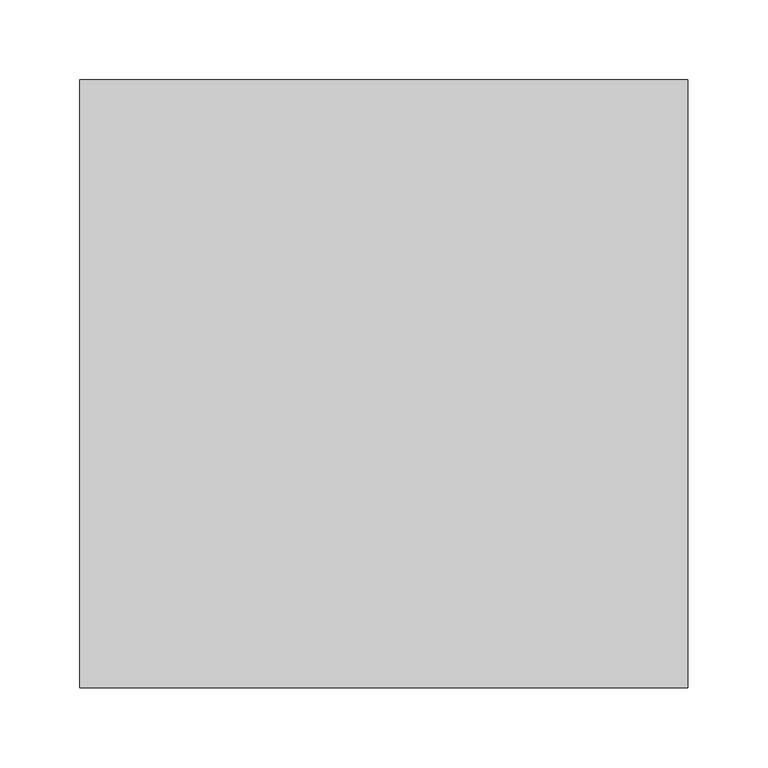
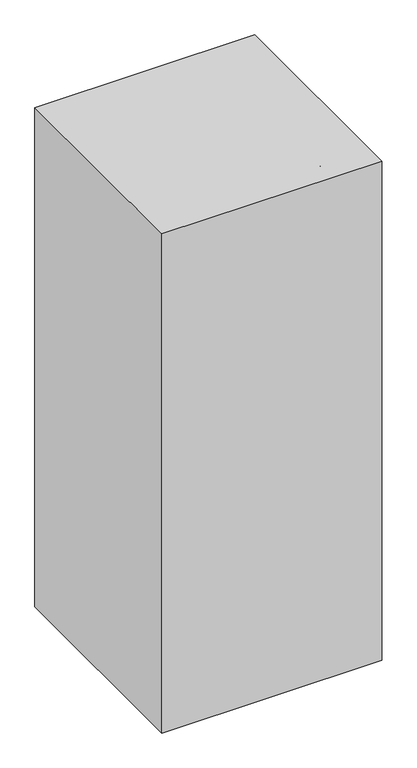
"""IFC4 building model written with IfcOpenShell, lengths in millimetres: proxy geometry."""

from ifc_helpers import new_model, si_unit, point, frame, frame_2d, origin, origin_with_axes, place, context, project, spatial, polyline, circle_curve, ellipse_curve, trimmed, segment, composite_curve, outline, extrude, source, transform, mapped, element, save
from ifc_brep_helpers import plane_surface, cylinder_surface, revolved_surface, advanced_brep


def specialty_equipment_1a8e0fdb(model_context):
    return source(origin(), model_context, "Body", "SolidModel", [
        extrude(outline(polyline([(0.0, -76.2), (0.0, 0.0), (12.7, 0.0), (12.7, -76.2), (0.0, -76.2)])), frame((-177.5900934, 239.9893842, 820.2504278), z_axis=(0.0, -0.4694715627858957, 0.8829475928589243), x_axis=(0.0, 0.8829475928589243, 0.4694715627858957)), (0.0, 0.0, 1.0), 76.2),
        advanced_brep(
        [(44.45, 215.9, 736.6), (44.45, 215.9, 723.9), (-16.0889464, 215.9, 736.6), (-22.0110536, 215.9, 723.9), (-78.0072211, 215.9, 810.3913264), (-90.7072211, 215.9, 805.7689044), (-78.0072211, 215.9, 858.8801154), (-90.7072211, 215.9, 846.1801154), (-160.5572211, 215.9, 858.8801154), (-160.5572211, 215.9, 846.1801154)],
        [
            (0, 1, circle_curve(frame((44.45, 215.9, 730.25), z_axis=(1.0, 0.0, 0.0), x_axis=(0.0, 0.0, -1.0)), 6.35)),
            (1, 0, circle_curve(frame((44.45, 215.9, 730.25), z_axis=(1.0, 0.0, 0.0), x_axis=(0.0, 0.0, -1.0)), 6.35)),
            (0, 2),
            (2, 3, ellipse_curve(frame((-19.05, 215.9, 730.25), z_axis=(0.9063077870366524, 0.0, -0.4226182617406946), x_axis=(0.42261826174069395, 0.0, 0.9063077870366525)), 7.0064498, 6.35)),
            (3, 1),
            (3, 2, ellipse_curve(frame((-19.05, 215.9, 730.25), z_axis=(0.9063077870366524, 0.0, -0.4226182617406946), x_axis=(0.42261826174069395, 0.0, 0.9063077870366525)), 7.0064498, 6.35)),
            (2, 4),
            (4, 5, ellipse_curve(frame((-84.3572211, 215.9, 808.0801154), z_axis=(0.3420201433256669, 0.0, -0.9396926207859092), x_axis=(0.9396926207859089, 0.0, 0.3420201433256674)), 6.7575289, 6.35)),
            (5, 3),
            (5, 4, ellipse_curve(frame((-84.3572211, 215.9, 808.0801154), z_axis=(0.3420201433256669, 0.0, -0.9396926207859092), x_axis=(0.9396926207859089, 0.0, 0.3420201433256674)), 6.7575289, 6.35)),
            (4, 6),
            (6, 7, ellipse_curve(frame((-84.3572211, 215.9, 852.5301154), z_axis=(0.7071067811865464, 0.0, -0.7071067811865487), x_axis=(-0.7071067811865487, 0.0, -0.7071067811865464)), 8.9802561, 6.35)),
            (7, 5),
            (7, 6, ellipse_curve(frame((-84.3572211, 215.9, 852.5301154), z_axis=(0.7071067811865464, 0.0, -0.7071067811865487), x_axis=(-0.7071067811865487, 0.0, -0.7071067811865464)), 8.9802561, 6.35)),
            (8, 9, circle_curve(frame((-160.5572211, 215.9, 852.5301154), z_axis=(-1.0, 0.0, 0.0), x_axis=(0.0, 0.0, -1.0)), 6.35)),
            (9, 8, circle_curve(frame((-160.5572211, 215.9, 852.5301154), z_axis=(-1.0, 0.0, 0.0), x_axis=(0.0, 0.0, -1.0)), 6.35)),
            (6, 8),
            (9, 7),
        ],
        [
            plane_surface(frame((44.45, 215.9, 730.25), z_axis=(1.0, 0.0, 0.0), x_axis=(0.0, -1.0, 0.0))),
            cylinder_surface(frame((44.45, 215.9, 730.25), z_axis=(1.0, 0.0, 0.0), x_axis=(0.0, 0.0, -1.0)), 6.35),
            cylinder_surface(frame((-19.05, 215.9, 730.25), z_axis=(0.6427876096865375, 0.0, -0.7660444431189797), x_axis=(-0.7660444431189797, 0.0, -0.6427876096865375)), 6.35),
            cylinder_surface(frame((-84.3572211, 215.9, 808.0801154), z_axis=(0.0, 0.0, -1.0), x_axis=(-1.0, 0.0, 0.0)), 6.35),
            plane_surface(frame((-160.5572211, 215.9, 852.5301154), z_axis=(-1.0, 0.0, 0.0), x_axis=(0.0, -1.0, 0.0))),
            cylinder_surface(frame((-84.3572211, 215.9, 852.5301154), z_axis=(1.0, 0.0, 0.0), x_axis=(0.0, 0.0, -1.0)), 6.35),
        ],
        [
            (0, [[1, 2]]),
            (1, [[-1, 3, 4, 5]]),
            (1, [[-2, -5, 6, -3]]),
            (2, [[-4, 7, 8, 9]]),
            (2, [[-6, -9, 10, -7]]),
            (3, [[-8, 11, 12, 13]]),
            (3, [[-10, -13, 14, -11]]),
            (4, [[15, 16]]),
            (5, [[-12, 17, -16, 18]]),
            (5, [[-14, -18, -15, -17]]),
        ],
    ),
        extrude(outline(composite_curve([segment(trimmed(circle_curve(frame_2d((730.25, 63.5)), 12.7), [point((730.25, 50.8))], [point((730.25, 76.2))], False, "CARTESIAN"), True, "CONTINUOUS"), segment(trimmed(circle_curve(frame_2d((730.25, 63.5)), 12.7), [point((730.25, 76.2))], [point((730.25, 50.8))], False, "CARTESIAN"), True, "CONTINUOUS")], self_intersect=False)), frame((0.0, 88.9, 0.0), z_axis=(0.0, 1.0, 0.0), x_axis=(0.0, 0.0, 1.0)), (0.0, 0.0, 1.0), 158.75),
        extrude(outline(composite_curve([segment(trimmed(circle_curve(frame_2d((730.25, 63.5)), 19.05), [point((730.25, 44.45))], [point((730.25, 82.55))], False, "CARTESIAN"), True, "CONTINUOUS"), segment(trimmed(circle_curve(frame_2d((730.25, 63.5)), 19.05), [point((730.25, 82.55))], [point((730.25, 44.45))], False, "CARTESIAN"), True, "CONTINUOUS")], self_intersect=False)), frame((0.0, 76.2, 0.0), z_axis=(0.0, 1.0, 0.0), x_axis=(0.0, 0.0, 1.0)), (0.0, 0.0, 1.0), 12.7),
        advanced_brep(
        [(6.6749119, 243.5968916, 875.3512512), (-10.6059042, 243.5968916, 883.409428), (-6.9449456, 243.5968916, 853.6764958), (-18.4550544, 243.5968916, 859.0437478)],
        [
            (0, 1, circle_curve(frame((-1.9654962, 243.5968916, 879.3803396), z_axis=(0.42261826174068884, 0.0, 0.9063077870366552), x_axis=(0.9063077870366554, 0.0, -0.4226182617406879)), 9.5336354)),
            (1, 0, circle_curve(frame((-1.9654962, 243.5968916, 879.3803396), z_axis=(0.42261826174068884, 0.0, 0.9063077870366552), x_axis=(-0.9063077870366548, 0.0, 0.42261826174068906)), 9.5336354)),
            (2, 3, circle_curve(frame((-12.7, 243.5968916, 856.3601218), z_axis=(-0.42261826174068884, 0.0, -0.9063077870366552), x_axis=(-0.9063077870366548, 0.0, 0.42261826174068906)), 6.35)),
            (3, 2, circle_curve(frame((-12.7, 243.5968916, 856.3601218), z_axis=(-0.42261826174068884, 0.0, -0.9063077870366552), x_axis=(0.9063077870366554, 0.0, -0.4226182617406879)), 6.35)),
            (2, 0),
            (1, 3),
        ],
        [
            plane_surface(frame((-1.9654962, 243.5968916, 879.3803396), z_axis=(0.42261826174068934, 0.0, 0.9063077870366547), x_axis=(0.0, 1.0, 0.0))),
            plane_surface(frame((-12.7, 243.5968916, 856.3601218), z_axis=(-0.42261826174068934, 0.0, -0.9063077870366547), x_axis=(0.0, 1.0, 0.0))),
            revolved_surface(polyline([(-6.9449455778731135, 243.5968916, 853.6764957896821), (6.674911899999998, 243.5968916, 875.3512512)]), (-34.1107742, 243.5968916, 810.4445683), (0.4226182617406887, 0.0, 0.9063077870366549)),
            revolved_surface(polyline([(-18.45505446296622, 243.5968916, 859.0437477089987), (-10.605904175746641, 243.5968916, 883.4094280752884)]), (-34.1107742, 243.5968916, 810.4445683), (0.4226182617406887, 0.0, 0.9063077870366549)),
        ],
        [
            (0, [[1, 2]]),
            (1, [[3, 4]]),
            (2, [[-3, 5, -2, 6]]),
            (3, [[-4, -6, -1, -5]]),
        ],
    ),
        advanced_brep(
        [(120.3250881, 243.5968916, 875.3512512), (137.6059042, 243.5968916, 883.409428), (133.9449456, 243.5968916, 853.6764958), (145.4550544, 243.5968916, 859.0437478)],
        [
            (0, 1, circle_curve(frame((128.9654962, 243.5968916, 879.3803396), z_axis=(-0.4226182617406885, 0.0, 0.9063077870366552), x_axis=(-0.9063077870366549, 0.0, -0.4226182617406886)), 9.5336354)),
            (1, 0, circle_curve(frame((128.9654962, 243.5968916, 879.3803396), z_axis=(-0.4226182617406885, 0.0, 0.9063077870366552), x_axis=(0.9063077870366556, 0.0, 0.42261826174068745)), 9.5336354)),
            (2, 3, circle_curve(frame((139.7, 243.5968916, 856.3601218), z_axis=(0.4226182617406885, 0.0, -0.9063077870366552), x_axis=(0.9063077870366556, 0.0, 0.42261826174068745)), 6.35)),
            (3, 2, circle_curve(frame((139.7, 243.5968916, 856.3601218), z_axis=(0.4226182617406885, 0.0, -0.9063077870366552), x_axis=(-0.9063077870366549, 0.0, -0.4226182617406886)), 6.35)),
            (3, 1),
            (0, 2),
        ],
        [
            plane_surface(frame((128.9654962, 243.5968916, 879.3803396), z_axis=(-0.42261826174068934, 0.0, 0.9063077870366547), x_axis=(0.0, -1.0, 0.0))),
            plane_surface(frame((139.7, 243.5968916, 856.3601218), z_axis=(0.42261826174068934, 0.0, -0.9063077870366547), x_axis=(0.0, -1.0, 0.0))),
            revolved_surface(polyline([(145.45505446296622, 243.5968916, 859.0437477089987), (137.60590417574664, 243.5968916, 883.4094280752884)]), (161.1107742, 243.5968916, 810.4445683), (-0.4226182617406885, 0.0, 0.9063077870366552)),
            revolved_surface(polyline([(133.9449455778731, 243.5968916, 853.676495789682), (120.3250881, 243.5968916, 875.3512512)]), (161.1107742, 243.5968916, 810.4445683), (-0.4226182617406885, 0.0, 0.9063077870366552)),
        ],
        [
            (0, [[1, 2]]),
            (1, [[3, 4]]),
            (2, [[-4, 5, -1, 6]]),
            (3, [[-3, -6, -2, -5]]),
        ],
    ),
        advanced_brep(
        [(133.9449456, 258.1987298, 853.6764958), (145.4550544, 258.1987298, 859.0437478), (140.7444281, 258.1987298, 839.0949585), (154.7573277, 258.1987298, 839.0949585), (127.603726, 258.1987298, 810.9146318), (135.6945183, 258.1987298, 798.2146318), (63.5, 258.1987298, 810.9146318), (63.5, 258.1987298, 798.2146318), (-0.603726, 258.1987298, 810.9146318), (-8.6945183, 258.1987298, 798.2146318), (-13.7444281, 258.1987298, 839.0949585), (-27.7573277, 258.1987298, 839.0949585), (-6.9449456, 258.1987298, 853.6764958), (-18.4550544, 258.1987298, 859.0437478)],
        [
            (0, 1, circle_curve(frame((139.7, 258.1987298, 856.3601218), z_axis=(-0.42261826174069717, 0.0, 0.906307787036651), x_axis=(0.906307787036651, 0.0, 0.42261826174069717)), 6.35)),
            (1, 0, circle_curve(frame((139.7, 258.1987298, 856.3601218), z_axis=(-0.42261826174069717, 0.0, 0.906307787036651), x_axis=(0.906307787036651, 0.0, 0.42261826174069717)), 6.35)),
            (0, 2),
            (2, 3, ellipse_curve(frame((147.7508779, 258.1987298, 839.0949585), z_axis=(0.0, 0.0, 1.0), x_axis=(-1.0, 0.0, 0.0)), 7.0064498, 6.35)),
            (3, 1),
            (3, 2, ellipse_curve(frame((147.7508779, 258.1987298, 839.0949585), z_axis=(0.0, 0.0, 1.0), x_axis=(-1.0, 0.0, 0.0)), 7.0064498, 6.35)),
            (2, 4),
            (4, 5, ellipse_curve(frame((131.6491221, 258.1987298, 804.5646318), z_axis=(0.8433914458128876, 0.0, 0.5372996083468209), x_axis=(-0.5372996083468209, 0.0, 0.8433914458128876)), 7.5291255, 6.35)),
            (5, 3),
            (5, 4, ellipse_curve(frame((131.6491221, 258.1987298, 804.5646318), z_axis=(0.8433914458128876, 0.0, 0.5372996083468209), x_axis=(-0.5372996083468209, 0.0, 0.8433914458128876)), 7.5291255, 6.35)),
            (4, 6),
            (6, 7, circle_curve(frame((63.5, 258.1987298, 804.5646318), z_axis=(1.0, 0.0, 0.0), x_axis=(0.0, 0.0, -1.0)), 6.35)),
            (7, 5),
            (7, 6, circle_curve(frame((63.5, 258.1987298, 804.5646318), z_axis=(1.0, 0.0, 0.0), x_axis=(0.0, 0.0, -1.0)), 6.35)),
            (6, 8),
            (8, 9, ellipse_curve(frame((-4.6491221, 258.1987298, 804.5646318), z_axis=(0.8433914458128859, 0.0, -0.5372996083468236), x_axis=(0.5372996083468233, 0.0, 0.8433914458128859)), 7.5291255, 6.35)),
            (9, 7),
            (9, 8, ellipse_curve(frame((-4.6491221, 258.1987298, 804.5646318), z_axis=(0.8433914458128859, 0.0, -0.5372996083468236), x_axis=(0.5372996083468233, 0.0, 0.8433914458128859)), 7.5291255, 6.35)),
            (8, 10),
            (10, 11, ellipse_curve(frame((-20.7508779, 258.1987298, 839.0949585), z_axis=(0.0, 0.0, -1.0), x_axis=(1.0, 0.0, 0.0)), 7.0064498, 6.35)),
            (11, 9),
            (11, 10, ellipse_curve(frame((-20.7508779, 258.1987298, 839.0949585), z_axis=(0.0, 0.0, -1.0), x_axis=(1.0, 0.0, 0.0)), 7.0064498, 6.35)),
            (12, 13, circle_curve(frame((-12.7, 258.1987298, 856.3601218), z_axis=(0.42261826174069733, 0.0, 0.9063077870366509), x_axis=(-0.9063077870366509, 0.0, 0.42261826174069733)), 6.35)),
            (13, 12, circle_curve(frame((-12.7, 258.1987298, 856.3601218), z_axis=(0.42261826174069733, 0.0, 0.9063077870366509), x_axis=(-0.9063077870366509, 0.0, 0.42261826174069733)), 6.35)),
            (10, 12),
            (13, 11),
        ],
        [
            plane_surface(frame((139.7, 76.2, 856.3601218), z_axis=(-0.42261826174069717, 0.0, 0.906307787036651), x_axis=(0.0, -1.0, 0.0))),
            cylinder_surface(frame((139.7, 258.1987298, 856.3601218), z_axis=(-0.42261826174069717, 0.0, 0.906307787036651), x_axis=(0.906307787036651, 0.0, 0.42261826174069717)), 6.35),
            cylinder_surface(frame((147.7508779, 258.1987298, 839.0949585), z_axis=(0.42261826174070577, 0.0, 0.9063077870366469), x_axis=(0.9063077870366469, 0.0, -0.42261826174070577)), 6.35),
            cylinder_surface(frame((131.6491221, 258.1987298, 804.5646318), z_axis=(1.0, 0.0, 0.0), x_axis=(0.0, 0.0, -1.0)), 6.35),
            cylinder_surface(frame((63.5, 258.1987298, 804.5646318), z_axis=(1.0, 0.0, 0.0), x_axis=(0.0, 0.0, -1.0)), 6.35),
            cylinder_surface(frame((-4.6491221, 258.1987298, 804.5646318), z_axis=(0.42261826174070016, 0.0, -0.9063077870366497), x_axis=(-0.9063077870366497, 0.0, -0.42261826174070016)), 6.35),
            plane_surface(frame((-12.7, 76.2, 856.3601218), z_axis=(0.4226182617406972, 0.0, 0.906307787036651), x_axis=(0.0, -1.0, 0.0))),
            cylinder_surface(frame((-20.7508779, 258.1987298, 839.0949585), z_axis=(-0.42261826174069733, 0.0, -0.9063077870366509), x_axis=(-0.9063077870366509, 0.0, 0.42261826174069733)), 6.35),
        ],
        [
            (0, [[1, 2]]),
            (1, [[-1, 3, 4, 5]]),
            (1, [[-2, -5, 6, -3]]),
            (2, [[-4, 7, 8, 9]]),
            (2, [[-6, -9, 10, -7]]),
            (3, [[-8, 11, 12, 13]]),
            (3, [[-10, -13, 14, -11]]),
            (4, [[-12, 15, 16, 17]]),
            (4, [[-14, -17, 18, -15]]),
            (5, [[-16, 19, 20, 21]]),
            (5, [[-18, -21, 22, -19]]),
            (6, [[23, 24]]),
            (7, [[-20, 25, -24, 26]]),
            (7, [[-22, -26, -23, -25]]),
        ],
    ),
        advanced_brep(
        [(-38.1, 254.0, 826.8645295), (165.1, 254.0, 826.8645295), (165.1, 254.0, 788.7645295), (-38.1, 254.0, 788.7645295), (-57.15, 254.0, 859.8600974), (184.15, 254.0, 859.8600974), (-52.5014774, 254.0, 864.50862), (179.5014774, 254.0, 864.50862), (-31.75, 254.0, 828.5660069), (158.75, 254.0, 828.5660069), (-31.75, 254.0, 795.1145295), (158.75, 254.0, 795.1145295), (63.5, 254.0, 795.1145295), (63.5, 254.0, 788.7645295)],
        [
            (0, 1, circle_curve(frame((63.5, 254.0, 826.8645295), z_axis=(0.0, 0.0, -1.0), x_axis=(1.0, 0.0, 0.0)), 101.6)),
            (1, 2),
            (2, 3, circle_curve(frame((63.5, 254.0, 788.7645295), z_axis=(0.0, 0.0, 1.0), x_axis=(1.0, 0.0, 0.0)), 101.6)),
            (3, 0),
            (1, 0, circle_curve(frame((63.5, 254.0, 826.8645295), z_axis=(0.0, 0.0, -1.0), x_axis=(1.0, 0.0, 0.0)), 101.6)),
            (3, 2, circle_curve(frame((63.5, 254.0, 788.7645295), z_axis=(0.0, 0.0, 1.0), x_axis=(1.0, 0.0, 0.0)), 101.6)),
            (4, 5, circle_curve(frame((63.5, 254.0, 859.8600974), z_axis=(0.0, 0.0, -1.0), x_axis=(1.0, 0.0, 0.0)), 120.65)),
            (5, 1),
            (0, 4),
            (5, 4, circle_curve(frame((63.5, 254.0, 859.8600974), z_axis=(0.0, 0.0, -1.0), x_axis=(1.0, 0.0, 0.0)), 120.65)),
            (6, 7, circle_curve(frame((63.5, 254.0, 864.50862), z_axis=(0.0, 0.0, -1.0), x_axis=(1.0, 0.0, 0.0)), 116.0014774)),
            (7, 5),
            (4, 6),
            (7, 6, circle_curve(frame((63.5, 254.0, 864.50862), z_axis=(0.0, 0.0, -1.0), x_axis=(1.0, 0.0, 0.0)), 116.0014774)),
            (8, 9, circle_curve(frame((63.5, 254.0, 828.5660069), z_axis=(0.0, 0.0, -1.0), x_axis=(1.0, 0.0, 0.0)), 95.25)),
            (9, 7),
            (6, 8),
            (9, 8, circle_curve(frame((63.5, 254.0, 828.5660069), z_axis=(0.0, 0.0, -1.0), x_axis=(1.0, 0.0, 0.0)), 95.25)),
            (10, 11, circle_curve(frame((63.5, 254.0, 795.1145295), z_axis=(0.0, 0.0, -1.0), x_axis=(1.0, 0.0, 0.0)), 95.25)),
            (11, 9),
            (8, 10),
            (11, 10, circle_curve(frame((63.5, 254.0, 795.1145295), z_axis=(0.0, 0.0, -1.0), x_axis=(1.0, 0.0, 0.0)), 95.25)),
            (12, 11),
            (10, 12),
            (2, 13),
            (13, 3),
        ],
        [
            cylinder_surface(frame((63.5, 254.0, 884.0145295), z_axis=(0.0, 0.0, 1.0), x_axis=(1.0, 0.0, 0.0)), 101.6),
            revolved_surface(polyline([(165.1, 254.0, 826.8645295), (184.15, 254.0, 859.8600974)]), (63.5, 254.0, 884.0145295), (0.0, 0.0, 1.0)),
            revolved_surface(polyline([(184.15, 254.0, 859.8600974), (179.5014774, 254.0, 864.50862)]), (63.5, 254.0, 884.0145295), (0.0, 0.0, 1.0)),
            revolved_surface(polyline([(179.5014774, 254.0, 864.50862), (158.75, 254.0, 828.5660069)]), (63.5, 254.0, 884.0145295), (0.0, 0.0, 1.0)),
            revolved_surface(polyline([(158.75, 254.0, 828.5660069), (158.75, 254.0, 795.1145295)]), (63.5, 254.0, 884.0145295), (0.0, 0.0, 1.0)),
            plane_surface(frame((63.5, 254.0, 795.1145295), z_axis=(0.0, 0.0, 1.0), x_axis=(1.0, 0.0, 0.0))),
            plane_surface(frame((63.5, 254.0, 788.7645295), z_axis=(0.0, 0.0, -1.0), x_axis=(1.0, 0.0, 0.0))),
        ],
        [
            (0, [[1, 2, 3, 4]]),
            (0, [[5, -4, 6, -2]]),
            (1, [[7, 8, -1, 9]]),
            (1, [[10, -9, -5, -8]]),
            (2, [[11, 12, -7, 13]]),
            (2, [[14, -13, -10, -12]]),
            (3, [[15, 16, -11, 17]]),
            (3, [[18, -17, -14, -16]]),
            (4, [[19, 20, -15, 21]]),
            (4, [[22, -21, -18, -20]]),
            (5, [[23, -19, 24]]),
            (5, [[-24, -22, -23]]),
            (6, [[-3, 25, 26]]),
            (6, [[-6, -26, -25]]),
        ],
    ),
        extrude(outline(composite_curve([segment(trimmed(circle_curve(frame_2d((63.5, 242.7630601)), 19.05), [point((44.45, 242.7630601))], [point((82.55, 242.7630601))], False, "CARTESIAN"), True, "CONTINUOUS"), segment(trimmed(circle_curve(frame_2d((63.5, 242.7630601)), 19.05), [point((82.55, 242.7630601))], [point((44.45, 242.7630601))], False, "CARTESIAN"), True, "CONTINUOUS")], self_intersect=False)), frame((0.0, 0.0, 678.0316343), z_axis=(0.0, 0.0, 1.0), x_axis=(1.0, 0.0, 0.0)), (0.0, 0.0, 1.0), 110.7328952),
        extrude(outline(polyline([(190.5, 442.9125), (190.5, 61.9125), (-190.5, 61.9125), (-190.5, 442.9125), (190.5, 442.9125)])), origin_with_axes(), (0.0, 0.0, 1.0), 914.4),
    ])


if __name__ == "__main__":
    model = new_model("IFC4")
    model_context = context("Model", 3, world=origin())
    ifc_project = project(units=[si_unit("LENGTHUNIT", "METRE", prefix="MILLI")], contexts=[model_context])
    site = spatial("IfcSite", under=ifc_project)
    building = spatial("IfcBuilding", under=site)
    placement = place(None, origin())
    specialty_equipment_shape = specialty_equipment_1a8e0fdb(model_context)
    element("IfcBuildingElementProxy", 1, Name="Specialty Equipment", at=placement, inside=building, context=model_context, shape_type="MappedRepresentation", body=[
        mapped(specialty_equipment_shape, transform((0.0, 0.0, 0.0), x_axis=(1.0, 0.0, 0.0), y_axis=(0.0, 1.0, 0.0), z_axis=(0.0, 0.0, 1.0))),
    ])
    save(model, "model.ifc")
